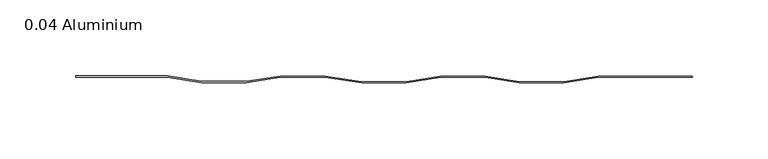
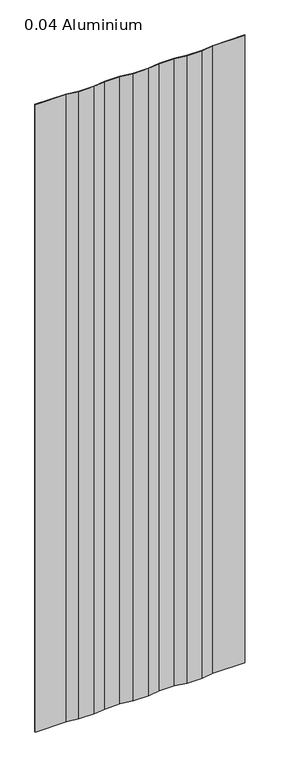
"""IFC4 building model written with IfcOpenShell, lengths in millimetres: plate geometry, 0.04 Aluminium."""

from ifc_helpers import new_model, si_unit, origin, origin_with_axes, place, context, project, spatial, polyline, outline, extrude, source, transform, mapped, element, save


def plate_0_04_aluminium_daa6f1c7(model_context):
    return source(origin(), model_context, "Body", "SweptSolid", [
        extrude(outline(polyline([(-142.9284294, 1.016), (-120.4316494, -2.53238), (-90.8914494, -2.53238), (-68.3946694, 0.8128), (-38.8544694, 0.8128), (-14.7701, -2.73558), (14.7701, -2.73558), (37.26688, 0.8128), (66.80708, 0.8128), (89.30386, -2.73558), (118.84406, -2.73558), (141.34084, 0.8128), (203.2, 0.8128), (203.2, 0.0), (141.404547, 0.0), (118.907767, -3.54838), (89.240153, -3.54838), (66.743373, 0.0), (37.330587, 0.0), (14.833807, -3.54838), (-14.833807, -3.54838), (-38.9181764, 0.0), (-68.3309624, 0.0), (-90.8277424, -3.54838), (-120.4953564, -3.54838), (-142.9921364, 0.0), (-203.2, 0.0), (-203.2, 1.016), (-142.9284294, 1.016)])), origin_with_axes(), (0.0, 0.0, 1.0), 1285.875),
    ])


if __name__ == "__main__":
    model = new_model("IFC4")
    model_context = context("Model", 3, world=origin())
    ifc_project = project(units=[si_unit("LENGTHUNIT", "METRE", prefix="MILLI")], contexts=[model_context])
    site = spatial("IfcSite", under=ifc_project)
    building = spatial("IfcBuilding", under=site)
    placement = place(None, origin())
    plate_0_04_aluminium_shape = plate_0_04_aluminium_daa6f1c7(model_context)
    element("IfcPlate", 1, ObjectType="0.04 Aluminium", at=placement, inside=building, context=model_context, shape_type="MappedRepresentation", body=[
        mapped(plate_0_04_aluminium_shape, transform((0.0, 0.0, 0.0), x_axis=(1.0, 0.0, 0.0), y_axis=(0.0, 1.0, 0.0), z_axis=(0.0, 0.0, 1.0))),
    ])
    save(model, "model.ifc")
